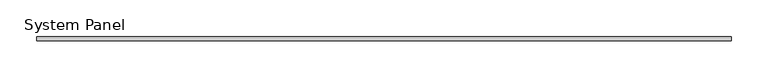
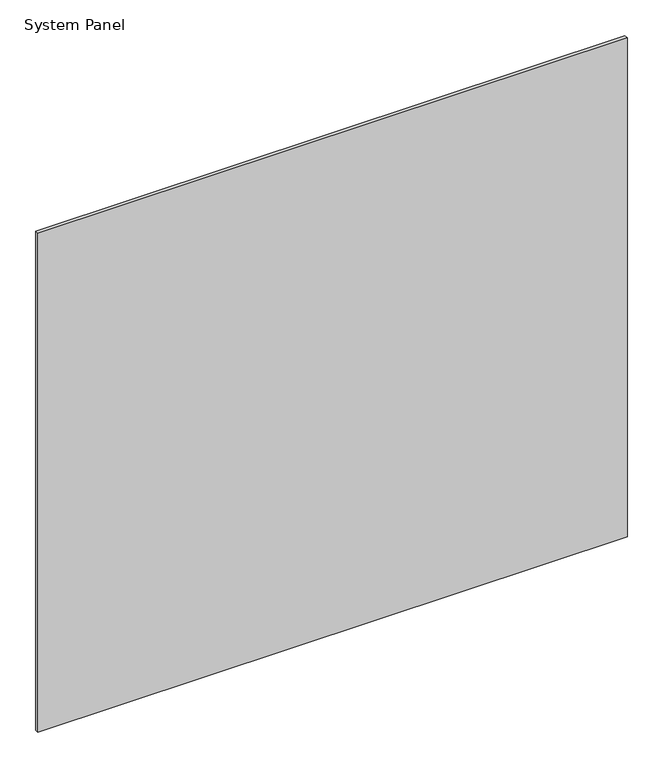
"""IFC4 building model written with IfcOpenShell, lengths in millimetres: plate geometry, System Panel."""

from ifc_helpers import new_model, si_unit, origin, origin_with_axes, place, context, project, spatial, polyline, outline, extrude, source, transform, mapped, element, save


def system_panel_55e94f77(model_context):
    return source(origin(), model_context, "Body", "SweptSolid", [
        extrude(outline(polyline([(475.0, -3.0), (-475.0, -3.0), (-475.0, 3.0), (475.0, 3.0), (475.0, -3.0)])), origin_with_axes(), (0.0, 0.0, 1.0), 850.0),
    ])


if __name__ == "__main__":
    model = new_model("IFC4")
    model_context = context("Model", 3, world=origin())
    ifc_project = project(units=[si_unit("LENGTHUNIT", "METRE", prefix="MILLI")], contexts=[model_context])
    site = spatial("IfcSite", under=ifc_project)
    building = spatial("IfcBuilding", under=site)
    placement = place(None, origin())
    system_panel_shape = system_panel_55e94f77(model_context)
    element("IfcPlate", 1, ObjectType="System Panel", at=placement, inside=building, context=model_context, shape_type="MappedRepresentation", body=[
        mapped(system_panel_shape, transform((0.0, 0.0, 0.0), x_axis=(1.0, 0.0, 0.0), y_axis=(0.0, 1.0, 0.0), z_axis=(0.0, 0.0, 1.0))),
    ])
    save(model, "model.ifc")
